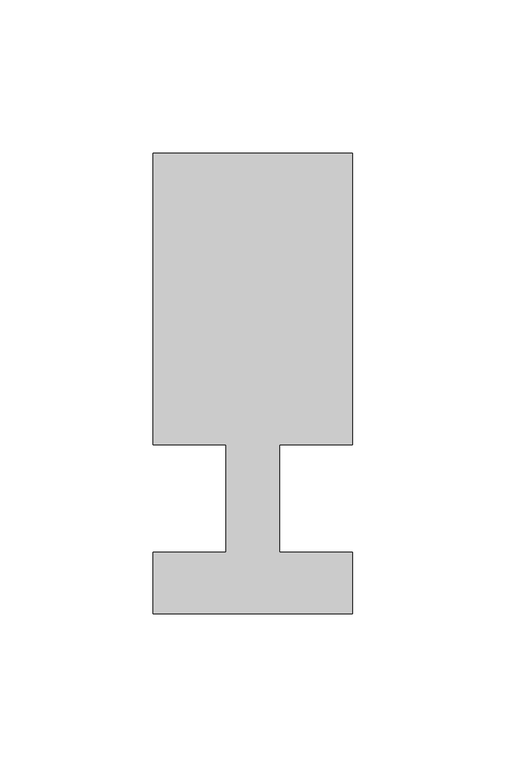
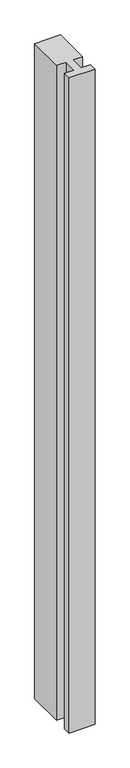
"""IFC4 building model written with IfcOpenShell, lengths in millimetres: member geometry."""

from ifc_helpers import new_model, si_unit, frame, origin, place, context, project, spatial, polyline, outline, extrude, source, transform, mapped, element, save


def member_5b4ef6e0(model_context):
    return source(origin(), model_context, "Body", "SweptSolid", [
        extrude(outline(polyline([(-65.0, -37.0), (-65.0, -17.0), (-41.1875, -17.0), (-41.1875, 18.0), (-65.0, 18.0), (-65.0, 113.0), (0.0, 113.0), (0.0, 18.0), (-23.8125, 18.0), (-23.8125, -17.0), (0.0, -17.0), (0.0, -37.0), (-65.0, -37.0)])), frame((0.0, 0.0, -1735.0), z_axis=(0.0, 0.0, 1.0), x_axis=(1.0, 0.0, 0.0)), (0.0, 0.0, 1.0), 1735.0),
    ])


if __name__ == "__main__":
    model = new_model("IFC4")
    model_context = context("Model", 3, world=origin())
    ifc_project = project(units=[si_unit("LENGTHUNIT", "METRE", prefix="MILLI")], contexts=[model_context])
    site = spatial("IfcSite", under=ifc_project)
    building = spatial("IfcBuilding", under=site)
    placement = place(None, origin())
    member_shape = member_5b4ef6e0(model_context)
    element("IfcMember", 1, at=placement, inside=building, context=model_context, shape_type="MappedRepresentation", body=[
        mapped(member_shape, transform((0.0, 0.0, 0.0), x_axis=(1.0, 0.0, 0.0), y_axis=(0.0, 1.0, 0.0), z_axis=(0.0, 0.0, 1.0))),
    ])
    save(model, "model.ifc")
